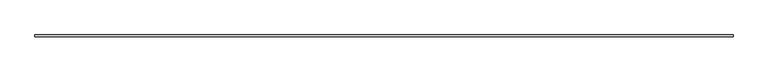
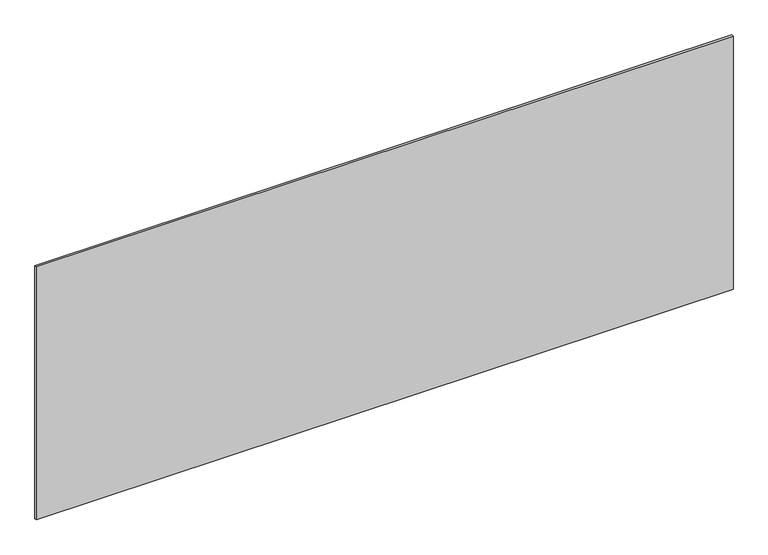
"""IFC4 building model written with IfcOpenShell, lengths in millimetres: plate geometry."""

from ifc_helpers import new_model, si_unit, origin, origin_with_axes, place, context, project, spatial, polyline, outline, extrude, source, transform, mapped, element, save


def plate_17b33fec(model_context):
    return source(origin(), model_context, "Body", "SweptSolid", [
        extrude(outline(polyline([(1697.5, -5.0), (-1697.5, -5.0), (-1697.5, 5.0), (1697.5, 5.0), (1697.5, -5.0)])), origin_with_axes(), (0.0, 0.0, 1.0), 1303.1391277),
    ])


if __name__ == "__main__":
    model = new_model("IFC4")
    model_context = context("Model", 3, world=origin())
    ifc_project = project(units=[si_unit("LENGTHUNIT", "METRE", prefix="MILLI")], contexts=[model_context])
    site = spatial("IfcSite", under=ifc_project)
    building = spatial("IfcBuilding", under=site)
    placement = place(None, origin())
    plate_shape = plate_17b33fec(model_context)
    element("IfcPlate", 1, at=placement, inside=building, context=model_context, shape_type="MappedRepresentation", body=[
        mapped(plate_shape, transform((0.0, 0.0, 0.0), x_axis=(1.0, 0.0, 0.0), y_axis=(0.0, 1.0, 0.0), z_axis=(0.0, 0.0, 1.0))),
    ])
    save(model, "model.ifc")
